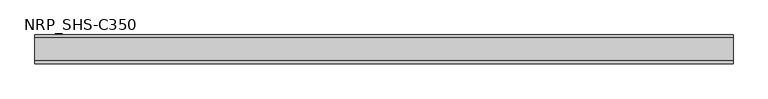
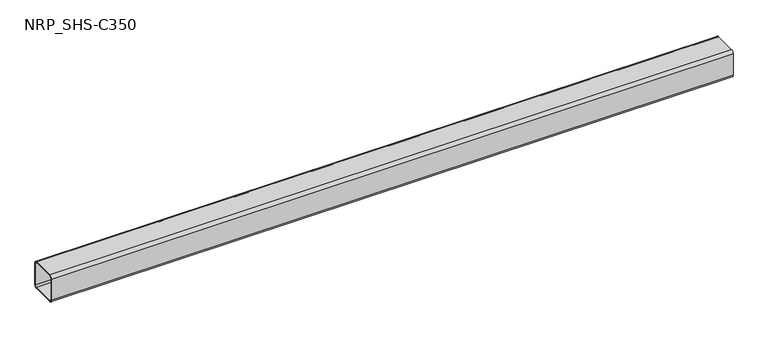
"""IFC4 building model written with IfcOpenShell, lengths in millimetres: member geometry, NRP_SHS-C350."""

from ifc_helpers import new_model, si_unit, point, frame, frame_2d, origin, place, context, project, spatial, polyline, circle_curve, trimmed, segment, composite_curve, outline, extrude, source, transform, mapped, element, save


def nrp_shs_c350_5bdc4e5c(model_context):
    return source(origin(), model_context, "Body", "SweptSolid", [
        extrude(outline(composite_curve([segment(trimmed(circle_curve(frame_2d((-35.75, 35.75)), 8.75), [point((-44.5, 35.75))], [point((-35.75, 44.5))], False, "CARTESIAN"), True, "CONTINUOUS"), segment(polyline([(-35.75, 44.5), (35.75, 44.5)]), True, "CONTINUOUS"), segment(trimmed(circle_curve(frame_2d((35.75, 35.75)), 8.75), [point((35.75, 44.5))], [point((44.5, 35.75))], False, "CARTESIAN"), True, "CONTINUOUS"), segment(polyline([(44.5, 35.75), (44.5, -35.75)]), True, "CONTINUOUS"), segment(trimmed(circle_curve(frame_2d((35.75, -35.75)), 8.75), [point((44.5, -35.75))], [point((35.75, -44.5))], False, "CARTESIAN"), True, "CONTINUOUS"), segment(polyline([(35.75, -44.5), (-35.75, -44.5)]), True, "CONTINUOUS"), segment(trimmed(circle_curve(frame_2d((-35.75, -35.75)), 8.75), [point((-35.75, -44.5))], [point((-44.5, -35.75))], False, "CARTESIAN"), True, "CONTINUOUS"), segment(polyline([(-44.5, -35.75), (-44.5, 35.75)]), True, "CONTINUOUS")], self_intersect=False), holes=[composite_curve([segment(polyline([(35.75, 41.0), (-35.75, 41.0)]), True, "CONTINUOUS"), segment(trimmed(circle_curve(frame_2d((-35.75, 35.75)), 5.25), [point((-35.75, 41.0))], [point((-41.0, 35.75))], True, "CARTESIAN"), True, "CONTINUOUS"), segment(polyline([(-41.0, 35.75), (-41.0, -35.75)]), True, "CONTINUOUS"), segment(trimmed(circle_curve(frame_2d((-35.75, -35.75)), 5.25), [point((-41.0, -35.75))], [point((-35.75, -41.0))], True, "CARTESIAN"), True, "CONTINUOUS"), segment(polyline([(-35.75, -41.0), (35.75, -41.0)]), True, "CONTINUOUS"), segment(trimmed(circle_curve(frame_2d((35.75, -35.75)), 5.25), [point((35.75, -41.0))], [point((41.0, -35.75))], True, "CARTESIAN"), True, "CONTINUOUS"), segment(polyline([(41.0, -35.75), (41.0, 35.75)]), True, "CONTINUOUS"), segment(trimmed(circle_curve(frame_2d((35.75, 35.75)), 5.25), [point((41.0, 35.75))], [point((35.75, 41.0))], True, "CARTESIAN"), True, "CONTINUOUS")], self_intersect=False)]), frame((-1075.5, 0.0, 0.0), z_axis=(1.0, 0.0, 0.0), x_axis=(0.0, 1.0, 0.0)), (0.0, 0.0, 1.0), 2151.0),
    ])


if __name__ == "__main__":
    model = new_model("IFC4")
    model_context = context("Model", 3, world=origin())
    ifc_project = project(units=[si_unit("LENGTHUNIT", "METRE", prefix="MILLI")], contexts=[model_context])
    site = spatial("IfcSite", under=ifc_project)
    building = spatial("IfcBuilding", under=site)
    placement = place(None, origin())
    nrp_shs_c350_shape = nrp_shs_c350_5bdc4e5c(model_context)
    element("IfcMember", 1, ObjectType="NRP_SHS-C350", at=placement, inside=building, context=model_context, shape_type="MappedRepresentation", body=[
        mapped(nrp_shs_c350_shape, transform((0.0, 0.0, 0.0), x_axis=(1.0, 0.0, 0.0), y_axis=(0.0, 1.0, 0.0), z_axis=(0.0, 0.0, 1.0))),
    ])
    save(model, "model.ifc")
